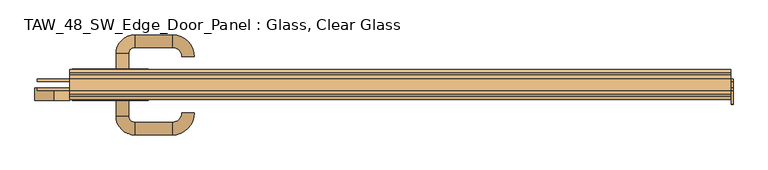
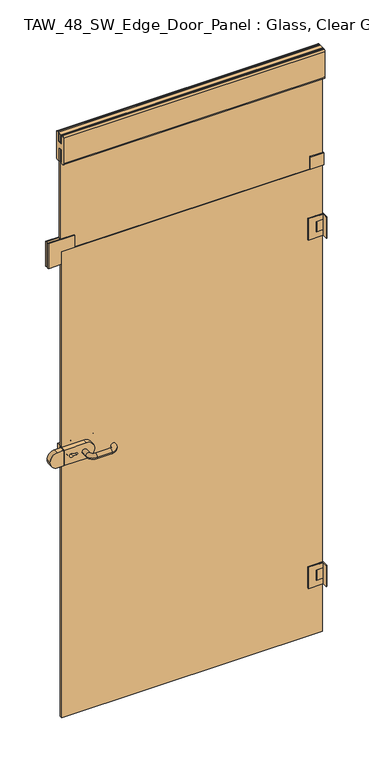
"""IFC4 building model written with IfcOpenShell, lengths in millimetres: door geometry, TAW_48_SW_Edge_Door_Panel : Glass, Clear Glass."""

from ifc_helpers import new_model, si_unit, point, frame, frame_2d, origin, place, context, project, spatial, polyline, circle_curve, ellipse_curve, trimmed, segment, composite_curve, outline, extrude, source, transform, mapped, element, save
from ifc_brep_helpers import plane_surface, cylinder_surface, revolved_surface, advanced_brep


def taw_48_sw_edge_door_panel_glass_clear_glass_c37a1470(model_context):
    return source(origin(), model_context, "Body", "SolidModel", [
        extrude(outline(polyline([(476.0, 9.0), (530.0, 9.0), (530.0, 5.0), (476.0, 5.0), (476.0, 9.0)])), frame((0.0, 0.0, 2000.0), z_axis=(0.0, 0.0, 1.0), x_axis=(1.0, 0.0, 0.0)), (0.0, 0.0, 1.0), 52.0),
        extrude(outline(polyline([(530.0, -9.0), (476.0, -9.0), (476.0, -5.0), (530.0, -5.0), (530.0, -9.0)])), frame((0.0, 0.0, 2000.0), z_axis=(0.0, 0.0, 1.0), x_axis=(1.0, 0.0, 0.0)), (0.0, 0.0, 1.0), 52.0),
        extrude(outline(polyline([(530.0, 9.0), (530.0, -31.0), (527.0, -31.0), (527.0, 9.0), (530.0, 9.0)])), frame((0.0, 0.0, 215.0), z_axis=(0.0, 0.0, 1.0), x_axis=(1.0, 0.0, 0.0)), (0.0, 0.0, 1.0), 90.0),
        extrude(outline(polyline([(498.0, -5.0), (498.0, 5.0), (526.0, 5.0), (526.0, -5.0), (498.0, -5.0)])), frame((0.0, 0.0, 215.0), z_axis=(0.0, 0.0, 1.0), x_axis=(1.0, 0.0, 0.0)), (0.0, 0.0, 1.0), 22.5),
        extrude(outline(polyline([(305.0, 467.0), (215.0, 467.0), (215.0, 526.0), (237.5, 526.0), (237.5, 498.0), (282.5, 498.0), (282.5, 526.0), (305.0, 526.0), (305.0, 467.0)])), frame((0.0, 5.0, 0.0), z_axis=(0.0, 1.0, 0.0), x_axis=(0.0, 0.0, 1.0)), (0.0, 0.0, 1.0), 4.0),
        extrude(outline(polyline([(498.0, -5.0), (498.0, 5.0), (526.0, 5.0), (526.0, -5.0), (498.0, -5.0)])), frame((0.0, 0.0, 282.5), z_axis=(0.0, 0.0, 1.0), x_axis=(1.0, 0.0, 0.0)), (0.0, 0.0, 1.0), 22.5),
        extrude(outline(polyline([(305.0, 467.0), (215.0, 467.0), (215.0, 526.0), (237.5, 526.0), (237.5, 498.0), (282.5, 498.0), (282.5, 526.0), (305.0, 526.0), (305.0, 467.0)])), frame((0.0, -9.0, 0.0), z_axis=(0.0, 1.0, 0.0), x_axis=(0.0, 0.0, 1.0)), (0.0, 0.0, 1.0), 4.0),
        extrude(outline(composite_curve([segment(trimmed(circle_curve(frame_2d((504.0, 0.0)), 4.0), [point((508.0, 0.0))], [point((500.0, 0.0))], False, "CARTESIAN"), True, "CONTINUOUS"), segment(trimmed(circle_curve(frame_2d((504.0, 0.0)), 4.0), [point((500.0, 0.0))], [point((508.0, 0.0))], False, "CARTESIAN"), True, "CONTINUOUS")], self_intersect=False)), frame((0.0, 0.0, 237.5), z_axis=(0.0, 0.0, 1.0), x_axis=(1.0, 0.0, 0.0)), (0.0, 0.0, 1.0), 45.0),
        extrude(outline(composite_curve([segment(trimmed(circle_curve(frame_2d((507.75, 0.0)), 9.75), [point((504.0, -9.0))], [point((504.0, 9.0))], False, "CARTESIAN"), True, "CONTINUOUS"), segment(polyline([(504.0, 9.0), (527.0, 9.0), (527.0, -9.0), (504.0, -9.0)]), True, "CONTINUOUS")], self_intersect=False)), frame((0.0, 0.0, 237.5), z_axis=(0.0, 0.0, 1.0), x_axis=(1.0, 0.0, 0.0)), (0.0, 0.0, 1.0), 45.0),
        extrude(outline(polyline([(530.0, 9.0), (530.0, -31.0), (527.0, -31.0), (527.0, 9.0), (530.0, 9.0)])), frame((0.0, 0.0, 1701.0), z_axis=(0.0, 0.0, 1.0), x_axis=(1.0, 0.0, 0.0)), (0.0, 0.0, 1.0), 90.0),
        extrude(outline(polyline([(498.0, -5.0), (498.0, 5.0), (526.0, 5.0), (526.0, -5.0), (498.0, -5.0)])), frame((0.0, 0.0, 1701.0), z_axis=(0.0, 0.0, 1.0), x_axis=(1.0, 0.0, 0.0)), (0.0, 0.0, 1.0), 22.5),
        extrude(outline(polyline([(1791.0, 467.0), (1701.0, 467.0), (1701.0, 526.0), (1723.5, 526.0), (1723.5, 498.0), (1768.5, 498.0), (1768.5, 526.0), (1791.0, 526.0), (1791.0, 467.0)])), frame((0.0, 5.0, 0.0), z_axis=(0.0, 1.0, 0.0), x_axis=(0.0, 0.0, 1.0)), (0.0, 0.0, 1.0), 4.0),
        extrude(outline(polyline([(498.0, -5.0), (498.0, 5.0), (526.0, 5.0), (526.0, -5.0), (498.0, -5.0)])), frame((0.0, 0.0, 1768.5), z_axis=(0.0, 0.0, 1.0), x_axis=(1.0, 0.0, 0.0)), (0.0, 0.0, 1.0), 22.5),
        extrude(outline(polyline([(1791.0, 467.0), (1701.0, 467.0), (1701.0, 526.0), (1723.5, 526.0), (1723.5, 498.0), (1768.5, 498.0), (1768.5, 526.0), (1791.0, 526.0), (1791.0, 467.0)])), frame((0.0, -9.0, 0.0), z_axis=(0.0, 1.0, 0.0), x_axis=(0.0, 0.0, 1.0)), (0.0, 0.0, 1.0), 4.0),
        extrude(outline(composite_curve([segment(trimmed(circle_curve(frame_2d((504.0, 0.0)), 4.0), [point((508.0, 0.0))], [point((500.0, 0.0))], False, "CARTESIAN"), True, "CONTINUOUS"), segment(trimmed(circle_curve(frame_2d((504.0, 0.0)), 4.0), [point((500.0, 0.0))], [point((508.0, 0.0))], False, "CARTESIAN"), True, "CONTINUOUS")], self_intersect=False)), frame((0.0, 0.0, 1723.5), z_axis=(0.0, 0.0, 1.0), x_axis=(1.0, 0.0, 0.0)), (0.0, 0.0, 1.0), 45.0),
        extrude(outline(composite_curve([segment(trimmed(circle_curve(frame_2d((507.75, 0.0)), 9.75), [point((504.0, -9.0))], [point((504.0, 9.0))], False, "CARTESIAN"), True, "CONTINUOUS"), segment(polyline([(504.0, 9.0), (527.0, 9.0), (527.0, -9.0), (504.0, -9.0)]), True, "CONTINUOUS")], self_intersect=False)), frame((0.0, 0.0, 1723.5), z_axis=(0.0, 0.0, 1.0), x_axis=(1.0, 0.0, 0.0)), (0.0, 0.0, 1.0), 45.0),
        extrude(outline(composite_curve([segment(polyline([(1162.5, -437.0), (1162.5, -526.0), (1097.5, -526.0), (1097.5, -437.0)]), True, "CONTINUOUS"), segment(trimmed(circle_curve(frame_2d((1130.0, -437.0)), 32.5), [point((1097.5, -437.0))], [point((1162.5, -437.0))], False, "CARTESIAN"), True, "CONTINUOUS")], self_intersect=False), holes=[composite_curve([segment(polyline([(1126.0, -478.3829212), (1126.0, -491.454718)]), True, "CONTINUOUS"), segment(trimmed(circle_curve(frame_2d((1130.0, -498.3829212)), 8.0), [point((1126.0, -491.454718))], [point((1134.0, -491.454718))], True, "CARTESIAN"), True, "CONTINUOUS"), segment(polyline([(1134.0, -491.454718), (1134.0, -478.3829212)]), True, "CONTINUOUS"), segment(trimmed(circle_curve(frame_2d((1130.0, -478.3829212)), 4.0), [point((1134.0, -478.3829212))], [point((1126.0, -478.3829212))], True, "CARTESIAN"), True, "CONTINUOUS")], self_intersect=False)]), frame((0.0, -25.0, 0.0), z_axis=(0.0, 1.0, 0.0), x_axis=(0.0, 0.0, 1.0)), (0.0, 0.0, 1.0), 20.0),
        extrude(outline(composite_curve([segment(polyline([(1162.5, -437.0), (1162.5, -526.0), (1097.5, -526.0), (1097.5, -437.0)]), True, "CONTINUOUS"), segment(trimmed(circle_curve(frame_2d((1130.0, -437.0)), 32.5), [point((1097.5, -437.0))], [point((1162.5, -437.0))], False, "CARTESIAN"), True, "CONTINUOUS")], self_intersect=False), holes=[composite_curve([segment(polyline([(1126.0, -478.3829212), (1126.0, -491.454718)]), True, "CONTINUOUS"), segment(trimmed(circle_curve(frame_2d((1130.0, -498.3829212)), 8.0), [point((1126.0, -491.454718))], [point((1134.0, -491.454718))], True, "CARTESIAN"), True, "CONTINUOUS"), segment(polyline([(1134.0, -491.454718), (1134.0, -478.3829212)]), True, "CONTINUOUS"), segment(trimmed(circle_curve(frame_2d((1130.0, -478.3829212)), 4.0), [point((1134.0, -478.3829212))], [point((1126.0, -478.3829212))], True, "CARTESIAN"), True, "CONTINUOUS")], self_intersect=False)]), frame((0.0, 5.0, 0.0), z_axis=(0.0, 1.0, 0.0), x_axis=(0.0, 0.0, 1.0)), (0.0, 0.0, 1.0), 20.0),
        advanced_brep(
        [(-436.0, 25.0, 1130.0), (-456.0, 25.0, 1130.0), (-456.0, 50.0, 1130.0), (-436.0, 50.0, 1130.0), (-426.0, 60.0, 1130.0), (-426.0, 80.0, 1130.0), (-366.0, 80.0, 1130.0), (-366.0, 60.0, 1130.0), (-351.0, 45.0, 1130.0), (-331.0, 45.0, 1130.0)],
        [
            (0, 1, circle_curve(frame((-446.0, 25.0, 1130.0), z_axis=(0.0, -1.0, 0.0), x_axis=(-1.0, 0.0, 0.0)), 10.0)),
            (1, 0, circle_curve(frame((-446.0, 25.0, 1130.0), z_axis=(0.0, -1.0, 0.0), x_axis=(-1.0, 0.0, 0.0)), 10.0)),
            (1, 2),
            (2, 3, circle_curve(frame((-446.0, 50.0, 1130.0), z_axis=(0.0, -1.0, 0.0), x_axis=(-1.0, 0.0, 0.0)), 10.0)),
            (3, 0),
            (3, 2, circle_curve(frame((-446.0, 50.0, 1130.0), z_axis=(0.0, -1.0, 0.0), x_axis=(-1.0, 0.0, 0.0)), 10.0)),
            (4, 3, circle_curve(frame((-426.0, 50.0, 1130.0), z_axis=(0.0, 0.0, 1.0), x_axis=(-1.0, 0.0, 0.0)), 10.0)),
            (2, 5, circle_curve(frame((-426.0, 50.0, 1130.0), z_axis=(0.0, 0.0, -1.0), x_axis=(-1.0, 0.0, 0.0)), 30.0)),
            (5, 4, circle_curve(frame((-426.0, 70.0, 1130.0), z_axis=(-1.0, 0.0, 0.0), x_axis=(0.0, 1.0, 0.0)), 10.0)),
            (4, 5, circle_curve(frame((-426.0, 70.0, 1130.0), z_axis=(-1.0, 0.0, 0.0), x_axis=(0.0, 1.0, 0.0)), 10.0)),
            (5, 6),
            (6, 7, circle_curve(frame((-366.0, 70.0, 1130.0), z_axis=(-1.0, 0.0, 0.0), x_axis=(0.0, 1.0, 0.0)), 10.0)),
            (7, 4),
            (7, 6, circle_curve(frame((-366.0, 70.0, 1130.0), z_axis=(-1.0, 0.0, 0.0), x_axis=(0.0, 1.0, 0.0)), 10.0)),
            (8, 9, circle_curve(frame((-341.0, 45.0, 1130.0), z_axis=(0.0, -1.0, 0.0), x_axis=(1.0, 0.0, 0.0)), 10.0)),
            (9, 8, circle_curve(frame((-341.0, 45.0, 1130.0), z_axis=(0.0, -1.0, 0.0), x_axis=(1.0, 0.0, 0.0)), 10.0)),
            (8, 7, circle_curve(frame((-366.0, 45.0, 1130.0), z_axis=(0.0, 0.0, 1.0), x_axis=(0.0, 1.0, 0.0)), 15.0)),
            (6, 9, circle_curve(frame((-366.0, 45.0, 1130.0), z_axis=(0.0, 0.0, -1.0), x_axis=(0.0, 1.0, 0.0)), 35.0)),
        ],
        [
            plane_surface(frame((-446.0, 25.0, 1130.0), z_axis=(0.0, -1.0, 0.0), x_axis=(0.0, 0.0, 1.0))),
            cylinder_surface(frame((-446.0, 25.0, 1130.0), z_axis=(0.0, -1.0, 0.0), x_axis=(-1.0, 0.0, 0.0)), 10.0),
            revolved_surface(trimmed(ellipse_curve(frame((-446.0, 50.0, 1130.0), z_axis=(0.0, -1.0, 0.0), x_axis=(-1.0, 0.0, 0.0)), 10.0, 10.0), [point((-456.0, 50.0, 1130.0))], [point((-436.0, 50.0, 1130.0))], True, "CARTESIAN"), (-426.0, 50.0, 1130.0), (0.0, 0.0, -1.0)),
            revolved_surface(trimmed(ellipse_curve(frame((-446.0, 50.0, 1130.0), z_axis=(0.0, -1.0, 0.0), x_axis=(-1.0, 0.0, 0.0)), 10.0, 10.0), [point((-436.0, 50.0, 1130.0))], [point((-456.0, 50.0, 1130.0))], True, "CARTESIAN"), (-426.0, 50.0, 1130.0), (0.0, 0.0, -1.0)),
            cylinder_surface(frame((-426.0, 70.0, 1130.0), z_axis=(-1.0, 0.0, 0.0), x_axis=(0.0, 1.0, 0.0)), 10.0),
            plane_surface(frame((-341.0, 45.0, 1130.0), z_axis=(0.0, -1.0, 0.0), x_axis=(0.0, 0.0, 1.0))),
            revolved_surface(trimmed(ellipse_curve(frame((-366.0, 70.0, 1130.0), z_axis=(-1.0, 0.0, 0.0), x_axis=(0.0, 1.0, 0.0)), 10.0, 10.0), [point((-366.0, 80.0, 1130.0))], [point((-366.0, 60.0, 1130.0))], True, "CARTESIAN"), (-366.0, 45.0, 1130.0), (0.0, 0.0, -1.0)),
            revolved_surface(trimmed(ellipse_curve(frame((-366.0, 70.0, 1130.0), z_axis=(-1.0, 0.0, 0.0), x_axis=(0.0, 1.0, 0.0)), 10.0, 10.0), [point((-366.0, 60.0, 1130.0))], [point((-366.0, 80.0, 1130.0))], True, "CARTESIAN"), (-366.0, 45.0, 1130.0), (0.0, 0.0, -1.0)),
        ],
        [
            (0, [[1, 2]]),
            (1, [[-2, 3, 4, 5]]),
            (1, [[-1, -5, 6, -3]]),
            (2, [[7, -4, 8, 9]]),
            (3, [[-8, -6, -7, 10]]),
            (4, [[-9, 11, 12, 13]]),
            (4, [[-10, -13, 14, -11]]),
            (5, [[15, 16]]),
            (6, [[17, -12, 18, -15]]),
            (7, [[-18, -14, -17, -16]]),
        ],
    ),
        advanced_brep(
        [(-456.0, -25.0, 1130.0), (-436.0, -25.0, 1130.0), (-456.0, -50.0, 1130.0), (-436.0, -50.0, 1130.0), (-426.0, -60.0, 1130.0), (-426.0, -80.0, 1130.0), (-366.0, -80.0, 1130.0), (-366.0, -60.0, 1130.0), (-331.0, -45.0, 1130.0), (-351.0, -45.0, 1130.0)],
        [
            (0, 1, circle_curve(frame((-446.0, -25.0, 1130.0), z_axis=(0.0, 1.0, 0.0), x_axis=(1.0, 0.0, 0.0)), 10.0)),
            (1, 0, circle_curve(frame((-446.0, -25.0, 1130.0), z_axis=(0.0, 1.0, 0.0), x_axis=(1.0, 0.0, 0.0)), 10.0)),
            (0, 2),
            (2, 3, circle_curve(frame((-446.0, -50.0, 1130.0), z_axis=(0.0, 1.0, 0.0), x_axis=(1.0, 0.0, 0.0)), 10.0)),
            (3, 1),
            (3, 2, circle_curve(frame((-446.0, -50.0, 1130.0), z_axis=(0.0, 1.0, 0.0), x_axis=(1.0, 0.0, 0.0)), 10.0)),
            (4, 3, circle_curve(frame((-426.0, -50.0, 1130.0), z_axis=(0.0, 0.0, -1.0), x_axis=(-1.0, 0.0, 0.0)), 10.0)),
            (2, 5, circle_curve(frame((-426.0, -50.0, 1130.0), z_axis=(0.0, 0.0, 1.0), x_axis=(-1.0, 0.0, 0.0)), 30.0)),
            (5, 4, circle_curve(frame((-426.0, -70.0, 1130.0), z_axis=(-1.0, 0.0, 0.0), x_axis=(0.0, 1.0, 0.0)), 10.0)),
            (4, 5, circle_curve(frame((-426.0, -70.0, 1130.0), z_axis=(-1.0, 0.0, 0.0), x_axis=(0.0, 1.0, 0.0)), 10.0)),
            (5, 6),
            (6, 7, circle_curve(frame((-366.0, -70.0, 1130.0), z_axis=(-1.0, 0.0, 0.0), x_axis=(0.0, 1.0, 0.0)), 10.0)),
            (7, 4),
            (7, 6, circle_curve(frame((-366.0, -70.0, 1130.0), z_axis=(-1.0, 0.0, 0.0), x_axis=(0.0, 1.0, 0.0)), 10.0)),
            (8, 9, circle_curve(frame((-341.0, -45.0, 1130.0), z_axis=(0.0, 1.0, 0.0), x_axis=(-1.0, 0.0, 0.0)), 10.0)),
            (9, 8, circle_curve(frame((-341.0, -45.0, 1130.0), z_axis=(0.0, 1.0, 0.0), x_axis=(-1.0, 0.0, 0.0)), 10.0)),
            (9, 7, circle_curve(frame((-366.0, -45.0, 1130.0), z_axis=(0.0, 0.0, -1.0), x_axis=(0.0, -1.0, 0.0)), 15.0)),
            (6, 8, circle_curve(frame((-366.0, -45.0, 1130.0), z_axis=(0.0, 0.0, 1.0), x_axis=(0.0, -1.0, 0.0)), 35.0)),
        ],
        [
            plane_surface(frame((-446.0, -25.0, 1130.0), z_axis=(0.0, 1.0, 0.0), x_axis=(0.0, 0.0, 1.0))),
            cylinder_surface(frame((-446.0, -25.0, 1130.0), z_axis=(0.0, 1.0, 0.0), x_axis=(1.0, 0.0, 0.0)), 10.0),
            revolved_surface(trimmed(ellipse_curve(frame((-446.0, -50.0, 1130.0), z_axis=(0.0, 1.0, 0.0), x_axis=(1.0, 0.0, 0.0)), 10.0, 10.0), [point((-456.0, -50.0, 1130.0))], [point((-436.0, -50.0, 1130.0))], True, "CARTESIAN"), (-426.0, -50.0, 1130.0), (0.0, 0.0, 1.0)),
            revolved_surface(trimmed(ellipse_curve(frame((-446.0, -50.0, 1130.0), z_axis=(0.0, 1.0, 0.0), x_axis=(1.0, 0.0, 0.0)), 10.0, 10.0), [point((-436.0, -50.0, 1130.0))], [point((-456.0, -50.0, 1130.0))], True, "CARTESIAN"), (-426.0, -50.0, 1130.0), (0.0, 0.0, 1.0)),
            cylinder_surface(frame((-426.0, -70.0, 1130.0), z_axis=(-1.0, 0.0, 0.0), x_axis=(0.0, 1.0, 0.0)), 10.0),
            plane_surface(frame((-341.0, -45.0, 1130.0), z_axis=(0.0, 1.0, 0.0), x_axis=(0.0, 0.0, 1.0))),
            revolved_surface(trimmed(ellipse_curve(frame((-366.0, -70.0, 1130.0), z_axis=(-1.0, 0.0, 0.0), x_axis=(0.0, 1.0, 0.0)), 10.0, 10.0), [point((-366.0, -80.0, 1130.0))], [point((-366.0, -60.0, 1130.0))], True, "CARTESIAN"), (-366.0, -45.0, 1130.0), (0.0, 0.0, 1.0)),
            revolved_surface(trimmed(ellipse_curve(frame((-366.0, -70.0, 1130.0), z_axis=(-1.0, 0.0, 0.0), x_axis=(0.0, 1.0, 0.0)), 10.0, 10.0), [point((-366.0, -60.0, 1130.0))], [point((-366.0, -80.0, 1130.0))], True, "CARTESIAN"), (-366.0, -45.0, 1130.0), (0.0, 0.0, 1.0)),
        ],
        [
            (0, [[1, 2]]),
            (1, [[-1, 3, 4, 5]]),
            (1, [[-2, -5, 6, -3]]),
            (2, [[7, -4, 8, 9]]),
            (3, [[-8, -6, -7, 10]]),
            (4, [[-9, 11, 12, 13]]),
            (4, [[-10, -13, 14, -11]]),
            (5, [[15, 16]]),
            (6, [[17, -12, 18, -16]]),
            (7, [[-18, -14, -17, -15]]),
        ],
    ),
        extrude(outline(composite_curve([segment(trimmed(circle_curve(frame_2d((1129.9592395, -553.0664624)), 32.5981542), [point((1162.5, -555.0))], [point((1130.0, -585.6645912))], False, "CARTESIAN"), True, "CONTINUOUS"), segment(trimmed(circle_curve(frame_2d((1129.9594159, -553.2075357)), 32.4570808), [point((1130.0, -585.6645912))], [point((1097.5518679, -555.0))], False, "CARTESIAN"), True, "CONTINUOUS"), segment(polyline([(1097.5518679, -555.0), (1097.5518679, -530.0), (1162.5, -530.0), (1162.5, -555.0)]), True, "CONTINUOUS")], self_intersect=False)), frame((0.0, -25.0, 0.0), z_axis=(0.0, 1.0, 0.0), x_axis=(0.0, 0.0, 1.0)), (0.0, 0.0, 1.0), 20.0),
        extrude(outline(polyline([(2000.0, -476.0), (2052.0, -476.0), (2052.0, -582.0), (1946.0, -582.0), (1946.0, -530.0), (2000.0, -530.0), (2000.0, -476.0)])), frame((0.0, 5.0, 0.0), z_axis=(0.0, 1.0, 0.0), x_axis=(0.0, 0.0, 1.0)), (0.0, 0.0, 1.0), 4.0),
        extrude(outline(polyline([(2000.0, -476.0), (2052.0, -476.0), (2052.0, -582.0), (1946.0, -582.0), (1946.0, -530.0), (2000.0, -530.0), (2000.0, -476.0)])), frame((0.0, -9.0, 0.0), z_axis=(0.0, 1.0, 0.0), x_axis=(0.0, 0.0, 1.0)), (0.0, 0.0, 1.0), 4.0),
        extrude(outline(polyline([(526.0, 5.0), (526.0, -5.0), (-526.0, -5.0), (-526.0, 5.0), (526.0, 5.0)])), frame((0.0, 0.0, 10.0), z_axis=(0.0, 0.0, 1.0), x_axis=(1.0, 0.0, 0.0)), (0.0, 0.0, 1.0), 1986.0),
        extrude(outline(polyline([(9.0, 2500.0), (9.0, 2461.2139286), (5.0, 2461.2139286), (5.0, 2496.0), (-5.0, 2496.0), (-5.0, 2461.2139286), (-9.0, 2461.2139286), (-9.0, 2500.0), (9.0, 2500.0)])), frame((-530.0, 0.0, 0.0), z_axis=(1.0, 0.0, 0.0), x_axis=(0.0, 1.0, 0.0)), (0.0, 0.0, 1.0), 1056.0),
        extrude(outline(composite_curve([segment(polyline([(6.0, 2377.0), (6.0, 2378.9188758), (9.5, 2378.9188758), (9.5, 2434.6666978), (-9.5, 2434.6666978), (-9.5, 2378.9188758), (-6.0, 2378.9188758), (-6.0, 2377.0), (-16.7, 2377.0)]), True, "CONTINUOUS"), segment(trimmed(circle_curve(frame_2d((-16.7, 2384.3)), 7.3), [point((-16.7, 2377.0))], [point((-24.0, 2384.3))], False, "CARTESIAN"), True, "CONTINUOUS"), segment(polyline([(-24.0, 2384.3), (-24.0, 2492.9688758)]), True, "CONTINUOUS"), segment(trimmed(circle_curve(frame_2d((-16.7, 2492.9688758)), 7.3), [point((-24.0, 2492.9688758))], [point((-18.6629804, 2500.0))], False, "CARTESIAN"), True, "CONTINUOUS"), segment(polyline([(-18.6629804, 2500.0), (-16.0197946, 2500.0), (-16.0197946, 2498.0667957), (-9.5, 2498.0667957), (-9.5, 2461.0667957), (9.5, 2461.0667957), (9.5, 2498.0667957), (16.0197946, 2498.0667957), (16.0197946, 2500.0), (18.6629804, 2500.0)]), True, "CONTINUOUS"), segment(trimmed(circle_curve(frame_2d((16.7, 2492.9688758)), 7.3), [point((18.6629804, 2500.0))], [point((24.0, 2492.9688758))], False, "CARTESIAN"), True, "CONTINUOUS"), segment(polyline([(24.0, 2492.9688758), (24.0, 2384.3)]), True, "CONTINUOUS"), segment(trimmed(circle_curve(frame_2d((16.7, 2384.3)), 7.3), [point((24.0, 2384.3))], [point((16.7, 2377.0))], False, "CARTESIAN"), True, "CONTINUOUS"), segment(polyline([(16.7, 2377.0), (6.0, 2377.0)]), True, "CONTINUOUS")], self_intersect=False)), frame((-530.0, 0.0, 0.0), z_axis=(1.0, 0.0, 0.0), x_axis=(0.0, 1.0, 0.0)), (0.0, 0.0, 1.0), 1056.0),
        extrude(outline(polyline([(526.0, 5.0), (526.0, -5.0), (-530.0, -5.0), (-530.0, 5.0), (526.0, 5.0)])), frame((0.0, 0.0, 2000.0), z_axis=(0.0, 0.0, 1.0), x_axis=(1.0, 0.0, 0.0)), (0.0, 0.0, 1.0), 434.6666978),
    ])


if __name__ == "__main__":
    model = new_model("IFC4")
    model_context = context("Model", 3, world=origin())
    ifc_project = project(units=[si_unit("LENGTHUNIT", "METRE", prefix="MILLI")], contexts=[model_context])
    site = spatial("IfcSite", under=ifc_project)
    building = spatial("IfcBuilding", under=site)
    placement = place(None, origin())
    taw_48_sw_edge_door_panel_glass_clear_glass_shape = taw_48_sw_edge_door_panel_glass_clear_glass_c37a1470(model_context)
    element("IfcDoor", 1, ObjectType="TAW_48_SW_Edge_Door_Panel : Glass, Clear Glass", at=placement, inside=building, context=model_context, shape_type="MappedRepresentation", body=[
        mapped(taw_48_sw_edge_door_panel_glass_clear_glass_shape, transform((0.0, 0.0, 0.0), x_axis=(1.0, 0.0, 0.0), y_axis=(0.0, 1.0, 0.0), z_axis=(0.0, 0.0, 1.0))),
    ])
    save(model, "model.ifc")
